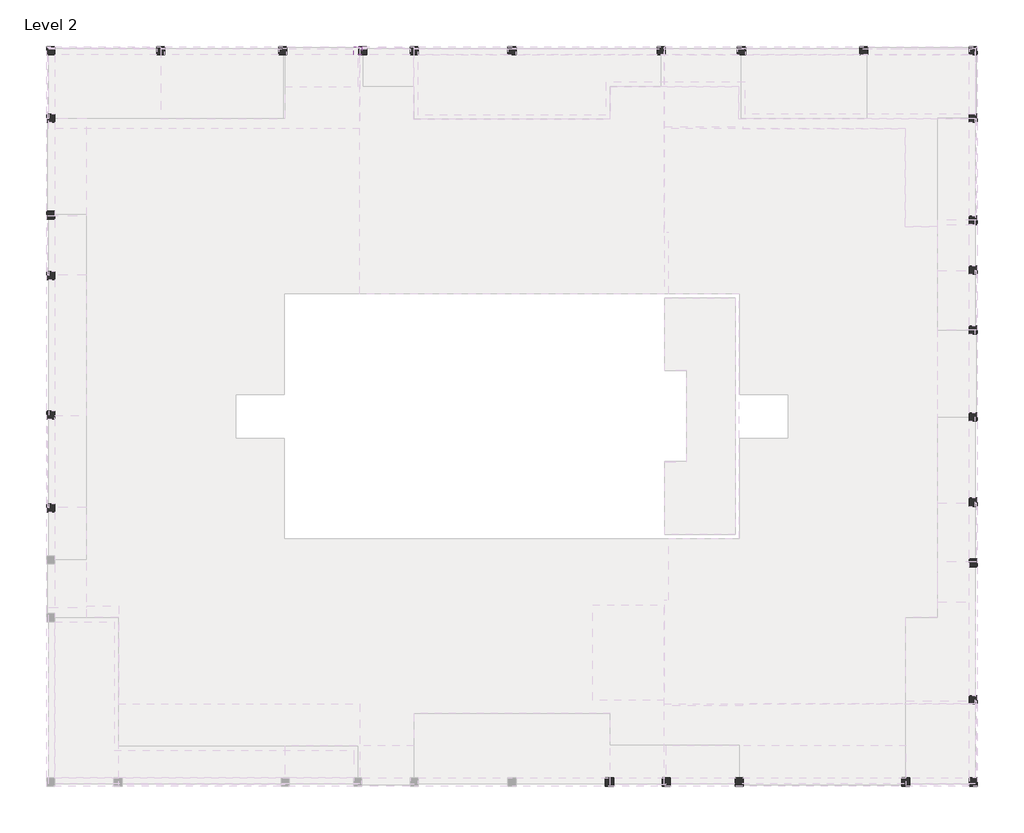
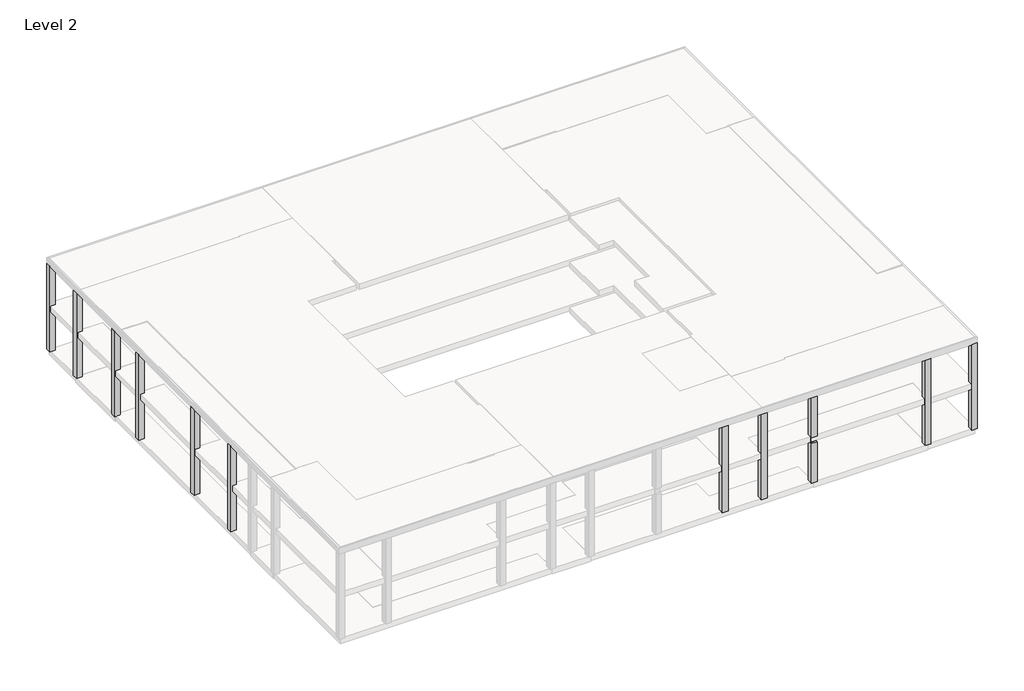
# One storey, part 3 of 3: 29 columns.
"""IFC4 building model written with IfcOpenShell, lengths in millimetres."""

from ifc_helpers import new_model, si_unit, frame, origin, place, context, project, spatial, polyline, outline, extrude, faceted_brep, element, save

model = new_model("IFC4")

# Units and contexts
model_context = context("Model", 3, world=origin())
ifc_project = project(units=[si_unit("LENGTHUNIT", "METRE", prefix="MILLI")], contexts=[model_context])

# Site, building, storey
site = spatial("IfcSite", under=ifc_project)
building = spatial("IfcBuilding", under=site)
storey = spatial("IfcBuildingStorey", under=building, Name="Level 2", Elevation=4000.0)

# Columns
placement = place(None, origin())
element("IfcColumn", 1, at=placement, inside=storey, context=model_context, shape_type="Brep", body=[
    faceted_brep([(46248.6038805, 37198.5104675, 8500.0), (45908.6038805, 37198.5104675, 8500.0), (45908.6038805, 37098.5104675, 8500.0), (45908.6038805, 36858.5104675, 8500.0), (46148.6038805, 36858.5104675, 8500.0), (46248.6038805, 36858.5104675, 8500.0), (46248.6038805, 37198.5104675, 2950.0), (46248.6038805, 36858.5104675, 2950.0), (45908.6038805, 36858.5104675, 2950.0), (45908.6038805, 37198.5104675, 2950.0), (45908.6038805, 37198.5104675, 5525.0), (45908.6038805, 37198.5104675, 5900.0), (45908.6038805, 37198.5104675, 8475.0), (45908.6038805, 36858.5104675, 5525.0), (45908.6038805, 36858.5104675, 5550.0), (45908.6038805, 36858.5104675, 8475.0), (46248.6038805, 36858.5104675, 5525.0), (46248.6038805, 36858.5104675, 5900.0), (46248.6038805, 36858.5104675, 8475.0)], [[[0, 1, 2, 3, 4, 5]], [[6, 7, 8, 9]], [[1, 0, 6, 9, 10, 11, 12]], [[3, 2, 1, 12, 11, 10, 9, 8, 13, 14, 15]], [[5, 4, 3, 15, 14, 13, 8, 7, 16, 17, 18]], [[0, 5, 18, 17, 16, 7, 6]]]),
])
element("IfcColumn", 2, at=placement, inside=storey, context=model_context, shape_type="Brep", body=[
    faceted_brep([(41648.6038866, 37198.5104675, 8475.0), (41308.6038866, 37198.5104675, 8475.0), (41308.6038866, 36858.5104675, 8475.0), (41648.6038866, 36858.5104675, 8475.0), (41648.6038866, 37198.5104675, 2950.0), (41648.6038866, 36858.5104675, 2950.0), (41308.6038866, 36858.5104675, 2950.0), (41308.6038866, 37198.5104675, 2950.0), (41648.6038866, 37198.5104675, 5900.0), (41648.6038866, 37198.5104675, 5525.0), (41308.6038866, 37198.5104675, 5525.0), (41308.6038866, 37198.5104675, 5900.0), (41308.6038866, 36858.5104675, 5525.0), (41308.6038866, 36858.5104675, 5550.0), (41648.6038866, 36858.5104675, 5525.0), (41648.6038866, 36858.5104675, 5550.0)], [[[0, 1, 2, 3]], [[4, 5, 6, 7]], [[1, 0, 8, 9, 4, 7, 10, 11]], [[2, 1, 11, 10, 7, 6, 12, 13]], [[3, 2, 13, 12, 6, 5, 14, 15]], [[0, 3, 15, 14, 5, 4, 9, 8]]]),
])
element("IfcColumn", 3, at=placement, inside=storey, context=model_context, shape_type="Brep", body=[
    faceted_brep([(46248.6038805, 34358.5104486, 8500.0), (46148.6038805, 34358.5104486, 8500.0), (45908.6038805, 34358.5104486, 8500.0), (45908.6038805, 34018.5104486, 8500.0), (46148.6038805, 34018.5104486, 8500.0), (46248.6038805, 34018.5104486, 8500.0), (46248.6038805, 34358.5104486, 8475.0), (46248.6038805, 34358.5104486, 5900.0), (46148.6038805, 34358.5104486, 5900.0), (46148.6038805, 34358.5104486, 5550.0), (45908.6038805, 34358.5104486, 5550.0), (45908.6038805, 34358.5104486, 8475.0), (45908.6038805, 34178.5104486, 5550.0), (45908.6038805, 34018.5104486, 5550.0), (45908.6038805, 34018.5104486, 8475.0), (46148.6038805, 34018.5104486, 5550.0), (46148.6038805, 34018.5104486, 5900.0), (46248.6038805, 34018.5104486, 5900.0), (46248.6038805, 34018.5104486, 8475.0), (46248.6038805, 34178.5104486, 5900.0), (46148.6038805, 34178.5104486, 5900.0), (46148.6038805, 34178.5104486, 5550.0)], [[[0, 1, 2, 3, 4, 5]], [[2, 1, 0, 6, 7, 8, 9, 10, 11]], [[3, 2, 11, 10, 12, 13, 14]], [[5, 4, 3, 14, 13, 15, 16, 17, 18]], [[0, 5, 18, 17, 19, 7, 6]], [[20, 19, 17, 16]], [[21, 20, 16, 15]], [[19, 20, 8, 7]], [[20, 21, 9, 8]], [[21, 12, 10, 9]], [[12, 21, 15, 13]]]),
    faceted_brep([(46248.6038805, 34358.5104486, 2950.0), (46248.6038805, 34018.5104486, 2950.0), (46148.6038805, 34018.5104486, 2950.0), (45908.6038805, 34018.5104486, 2950.0), (45908.6038805, 34358.5104486, 2950.0), (46148.6038805, 34358.5104486, 2950.0), (46248.6038805, 34178.5104486, 5525.0), (45908.6038805, 34178.5104486, 5525.0), (45908.6038805, 34018.5104486, 5525.0), (46248.6038805, 34018.5104486, 5525.0), (46248.6038805, 34358.5104486, 5525.0), (45908.6038805, 34358.5104486, 5525.0)], [[[0, 1, 2, 3, 4, 5]], [[6, 7, 8, 9]], [[7, 6, 10, 11]], [[1, 0, 10, 6, 9]], [[5, 4, 11, 10, 0]], [[4, 3, 8, 7, 11]], [[2, 1, 9, 8, 3]]]),
])
element("IfcColumn", 4, at=placement, inside=storey, context=model_context, shape_type="Brep", body=[
    faceted_brep([(46248.6038805, 6198.5104665, 8500.0), (46248.6038805, 6538.5104665, 8500.0), (46148.6038805, 6538.5104665, 8500.0), (45908.6038805, 6538.5104665, 8500.0), (45908.6038805, 6298.5104675, 8500.0), (45908.6038805, 6198.5104665, 8500.0), (46248.6038805, 6198.5104665, 2950.0), (45908.6038805, 6198.5104665, 2950.0), (45908.6038805, 6538.5104665, 2950.0), (46248.6038805, 6538.5104665, 2950.0), (45908.6038805, 6538.5104665, 8475.0), (45908.6038805, 6538.5104665, 5900.0), (45908.6038805, 6538.5104665, 5550.0), (45908.6038805, 6538.5104665, 5525.0), (46248.6038805, 6538.5104665, 8475.0), (46248.6038805, 6538.5104665, 5900.0), (46248.6038805, 6538.5104665, 5525.0)], [[[0, 1, 2, 3, 4, 5]], [[6, 7, 8, 9]], [[5, 7, 6, 0]], [[3, 10, 11, 12, 13, 8, 7, 5, 4]], [[1, 14, 15, 16, 9, 8, 13, 12, 11, 10, 3, 2]], [[0, 6, 9, 16, 15, 14, 1]]]),
])
element("IfcColumn", 5, at=placement, inside=storey, context=model_context, shape_type="Brep", body=[
    faceted_brep([(43408.6038804, 6198.5104665, 8475.0), (43408.6038804, 6538.5104665, 8475.0), (43068.6038804, 6538.5104665, 8475.0), (43068.6038804, 6198.5104665, 8475.0), (43408.6038804, 6198.5104665, 2950.0), (43068.6038804, 6198.5104665, 2950.0), (43068.6038804, 6538.5104665, 2950.0), (43408.6038804, 6538.5104665, 2950.0), (43068.6038804, 6538.5104665, 5900.0), (43068.6038804, 6538.5104665, 5550.0)], [[[0, 1, 2, 3]], [[4, 5, 6, 7]], [[3, 5, 4, 0]], [[2, 8, 9, 6, 5, 3]], [[1, 7, 6, 9, 8, 2]], [[0, 4, 7, 1]]]),
])
element("IfcColumn", 6, at=placement, inside=storey, context=model_context, shape_type="Brep", body=[
    faceted_brep([(7248.6038805, 29968.5104659, 8475.0), (7588.6038805, 29968.5104659, 8475.0), (7588.6038805, 30308.5104659, 8475.0), (7248.6038805, 30308.5104659, 8475.0), (7248.6038805, 29968.5104659, 2950.0), (7248.6038805, 30163.5104659, 2950.0), (7248.6038805, 30308.5104659, 2950.0), (7588.6038805, 30308.5104659, 2950.0), (7588.6038805, 29968.5104659, 2950.0), (7248.6038805, 29968.5104659, 5900.0), (7248.6038805, 29968.5104659, 5525.0), (7588.6038805, 29968.5104659, 5525.0), (7588.6038805, 29968.5104659, 5550.0), (7588.6038805, 30308.5104659, 5525.0), (7588.6038805, 30308.5104659, 5550.0), (7248.6038805, 30308.5104659, 5525.0), (7248.6038805, 30308.5104659, 5900.0)], [[[0, 1, 2, 3]], [[4, 5, 6, 7, 8]], [[1, 0, 9, 10, 4, 8, 11, 12]], [[2, 1, 12, 11, 8, 7, 13, 14]], [[3, 2, 14, 13, 7, 6, 15, 16]], [[0, 3, 16, 15, 6, 5, 4, 10, 9]]]),
])
element("IfcColumn", 7, at=placement, inside=storey, context=model_context, shape_type="Brep", body=[
    faceted_brep([(7248.6038805, 34026.0104675, 8500.0), (7348.6038805, 34026.0104675, 8500.0), (7588.6038805, 34026.0104675, 8500.0), (7588.6038805, 34366.0104675, 8500.0), (7348.6038805, 34366.0104675, 8500.0), (7248.6038805, 34366.0104675, 8500.0), (7248.6038805, 34026.0104675, 2950.0), (7248.6038805, 34366.0104675, 2950.0), (7588.6038805, 34366.0104675, 2950.0), (7588.6038805, 34026.0104675, 2950.0), (7248.6038805, 34026.0104675, 8475.0), (7248.6038805, 34026.0104675, 5900.0), (7248.6038805, 34026.0104675, 5525.0), (7588.6038805, 34026.0104675, 5525.0), (7588.6038805, 34026.0104675, 5550.0), (7588.6038805, 34026.0104675, 8475.0), (7588.6038805, 34366.0104675, 5525.0), (7588.6038805, 34366.0104675, 5550.0), (7588.6038805, 34366.0104675, 8475.0), (7248.6038805, 34366.0104675, 5525.0), (7248.6038805, 34366.0104675, 5900.0), (7248.6038805, 34366.0104675, 8475.0)], [[[0, 1, 2, 3, 4, 5]], [[6, 7, 8, 9]], [[2, 1, 0, 10, 11, 12, 6, 9, 13, 14, 15]], [[3, 2, 15, 14, 13, 9, 8, 16, 17, 18]], [[5, 4, 3, 18, 17, 16, 8, 7, 19, 20, 21]], [[0, 5, 21, 20, 19, 7, 6, 12, 11, 10]]]),
])
element("IfcColumn", 8, at=placement, inside=storey, context=model_context, shape_type="Brep", body=[
    faceted_brep([(7248.6038805, 36858.5104675, 8500.0), (7348.6038805, 36858.5104675, 8500.0), (7588.6038805, 36858.5104675, 8500.0), (7588.6038805, 37098.5104675, 8500.0), (7588.6038805, 37198.5104675, 8500.0), (7248.6038805, 37198.5104675, 8500.0), (7248.6038805, 36858.5104675, 2950.0), (7248.6038805, 37198.5104675, 2950.0), (7588.6038805, 37198.5104675, 2950.0), (7588.6038805, 36858.5104675, 2950.0), (7248.6038805, 36858.5104675, 8475.0), (7248.6038805, 36858.5104675, 5900.0), (7248.6038805, 36858.5104675, 5525.0), (7588.6038805, 36858.5104675, 5525.0), (7588.6038805, 36858.5104675, 5550.0), (7588.6038805, 36858.5104675, 8475.0), (7588.6038805, 37198.5104675, 5525.0), (7588.6038805, 37198.5104675, 5900.0), (7588.6038805, 37198.5104675, 8475.0)], [[[0, 1, 2, 3, 4, 5]], [[6, 7, 8, 9]], [[2, 1, 0, 10, 11, 12, 6, 9, 13, 14, 15]], [[4, 3, 2, 15, 14, 13, 9, 8, 16, 17, 18]], [[5, 4, 18, 17, 16, 8, 7]], [[0, 5, 7, 6, 12, 11, 10]]]),
])
element("IfcColumn", 9, at=placement, inside=storey, context=model_context, shape_type="Brep", body=[
    faceted_brep([(11868.6038682, 37198.5104675, 8500.0), (11868.6038682, 37098.5104675, 8500.0), (11868.6038682, 36858.5104675, 8500.0), (12208.6038682, 36858.5104675, 8500.0), (12208.6038682, 37098.5104675, 8500.0), (12208.6038682, 37198.5104675, 8500.0), (12208.6038682, 37198.5104675, 8475.0), (12208.6038682, 37198.5104675, 5900.0), (11868.6038682, 37198.5104675, 5900.0), (11868.6038682, 37198.5104675, 8475.0), (12208.6038682, 36858.5104675, 8475.0), (12208.6038682, 36858.5104675, 5550.0), (12208.6038682, 37098.5104675, 5550.0), (12208.6038682, 37098.5104675, 5900.0), (11868.6038682, 36858.5104675, 8475.0), (11868.6038682, 36858.5104675, 5550.0), (11868.6038682, 37098.5104675, 5900.0), (11868.6038682, 37098.5104675, 5550.0)], [[[0, 1, 2, 3, 4, 5]], [[0, 5, 6, 7, 8, 9]], [[5, 4, 3, 10, 11, 12, 13, 7, 6]], [[3, 2, 14, 15, 11, 10]], [[2, 1, 0, 9, 8, 16, 17, 15, 14]], [[13, 16, 8, 7]], [[16, 13, 12, 17]], [[17, 12, 11, 15]]]),
    faceted_brep([(11868.6038682, 37198.5104675, 2950.0), (12208.6038682, 37198.5104675, 2950.0), (12208.6038682, 37098.5104675, 2950.0), (12208.6038682, 36858.5104675, 2950.0), (11868.6038682, 36858.5104675, 2950.0), (11868.6038682, 37098.5104675, 2950.0), (12208.6038682, 37198.5104675, 5525.0), (11868.6038682, 37198.5104675, 5525.0), (11868.6038682, 36858.5104675, 5525.0), (12208.6038682, 36858.5104675, 5525.0)], [[[0, 1, 2, 3, 4, 5]], [[6, 7, 8, 9]], [[1, 0, 7, 6]], [[2, 1, 6, 9, 3]], [[4, 3, 9, 8]], [[5, 4, 8, 7, 0]]]),
])
element("IfcColumn", 10, at=placement, inside=storey, context=model_context, shape_type="Brep", body=[
    faceted_brep([(20123.6038682, 37198.5104675, 8475.0), (20123.6038682, 36858.5104675, 8475.0), (20463.6038682, 36858.5104675, 8475.0), (20463.6038682, 37198.5104675, 8475.0), (20123.6038682, 37198.5104675, 5900.0), (20303.6038682, 37198.5104675, 5900.0), (20463.6038682, 37198.5104675, 5900.0), (20463.6038682, 36858.5104675, 5900.0), (20123.6038682, 36858.5104675, 5900.0)], [[[0, 1, 2, 3]], [[4, 5, 6, 7, 8]], [[3, 6, 5, 4, 0]], [[2, 7, 6, 3]], [[1, 8, 7, 2]], [[0, 4, 8, 1]]]),
])
element("IfcColumn", 11, at=placement, inside=storey, context=model_context, shape_type="Brep", body=[
    faceted_brep([(22478.6038804, 37198.5104675, 8500.0), (22478.6038804, 37098.5104675, 8500.0), (22478.6038804, 36858.5104675, 8500.0), (22818.6038804, 36858.5104675, 8500.0), (22818.6038804, 37098.5104675, 8500.0), (22818.6038804, 37198.5104675, 8500.0), (22478.6038804, 37198.5104675, 2950.0), (22818.6038804, 37198.5104675, 2950.0), (22818.6038804, 36858.5104675, 2950.0), (22478.6038804, 36858.5104675, 2950.0), (22818.6038804, 37198.5104675, 8475.0), (22818.6038804, 37198.5104675, 5900.0), (22818.6038804, 37198.5104675, 5525.0), (22478.6038804, 37198.5104675, 5525.0), (22478.6038804, 37198.5104675, 5900.0), (22478.6038804, 37198.5104675, 8475.0), (22818.6038804, 36858.5104675, 8475.0), (22818.6038804, 36858.5104675, 5550.0), (22818.6038804, 36858.5104675, 5525.0), (22478.6038804, 36858.5104675, 8475.0), (22478.6038804, 36858.5104675, 5550.0), (22478.6038804, 36858.5104675, 5525.0)], [[[0, 1, 2, 3, 4, 5]], [[6, 7, 8, 9]], [[5, 10, 11, 12, 7, 6, 13, 14, 15, 0]], [[3, 16, 17, 18, 8, 7, 12, 11, 10, 5, 4]], [[2, 19, 20, 21, 9, 8, 18, 17, 16, 3]], [[0, 15, 14, 13, 6, 9, 21, 20, 19, 2, 1]]]),
])
element("IfcColumn", 12, at=placement, inside=storey, context=model_context, shape_type="Brep", body=[
    faceted_brep([(46248.6038805, 30083.5104659, 8500.0), (46148.6038805, 30083.5104659, 8500.0), (45908.6038805, 30083.5104659, 8500.0), (45908.6038805, 29743.5104659, 8500.0), (46148.6038805, 29743.5104659, 8500.0), (46248.6038805, 29743.5104659, 8500.0), (46248.6038805, 30083.5104659, 2950.0), (46248.6038805, 29743.5104659, 2950.0), (45908.6038805, 29743.5104659, 2950.0), (45908.6038805, 30083.5104659, 2950.0), (46248.6038805, 30083.5104659, 8475.0), (46248.6038805, 30083.5104659, 5900.0), (46248.6038805, 30083.5104659, 5525.0), (45908.6038805, 30083.5104659, 5525.0), (45908.6038805, 30083.5104659, 5550.0), (45908.6038805, 30083.5104659, 8475.0), (45908.6038805, 29743.5104659, 5525.0), (45908.6038805, 29743.5104659, 5550.0), (45908.6038805, 29743.5104659, 8475.0), (46248.6038805, 29743.5104659, 5525.0), (46248.6038805, 29743.5104659, 5900.0), (46248.6038805, 29743.5104659, 8475.0)], [[[0, 1, 2, 3, 4, 5]], [[6, 7, 8, 9]], [[2, 1, 0, 10, 11, 12, 6, 9, 13, 14, 15]], [[3, 2, 15, 14, 13, 9, 8, 16, 17, 18]], [[5, 4, 3, 18, 17, 16, 8, 7, 19, 20, 21]], [[0, 5, 21, 20, 19, 7, 6, 12, 11, 10]]]),
])
element("IfcColumn", 13, at=placement, inside=storey, context=model_context, shape_type="Brep", body=[
    faceted_brep([(46248.6038805, 27993.5104659, 8500.0), (46148.6038805, 27993.5104659, 8500.0), (45908.6038805, 27993.5104659, 8500.0), (45908.6038805, 27653.5104659, 8500.0), (46148.6038805, 27653.5104659, 8500.0), (46248.6038805, 27653.5104659, 8500.0), (46248.6038805, 27993.5104659, 2950.0), (46248.6038805, 27653.5104659, 2950.0), (45908.6038805, 27653.5104659, 2950.0), (45908.6038805, 27993.5104659, 2950.0), (46248.6038805, 27993.5104659, 8475.0), (46248.6038805, 27993.5104659, 5900.0), (46248.6038805, 27993.5104659, 5525.0), (45908.6038805, 27993.5104659, 5525.0), (45908.6038805, 27993.5104659, 5550.0), (45908.6038805, 27993.5104659, 8475.0), (45908.6038805, 27653.5104659, 5525.0), (45908.6038805, 27653.5104659, 5550.0), (45908.6038805, 27653.5104659, 8475.0), (46248.6038805, 27653.5104659, 5525.0), (46248.6038805, 27653.5104659, 5900.0), (46248.6038805, 27653.5104659, 8475.0)], [[[0, 1, 2, 3, 4, 5]], [[6, 7, 8, 9]], [[2, 1, 0, 10, 11, 12, 6, 9, 13, 14, 15]], [[3, 2, 15, 14, 13, 9, 8, 16, 17, 18]], [[5, 4, 3, 18, 17, 16, 8, 7, 19, 20, 21]], [[0, 5, 21, 20, 19, 7, 6, 12, 11, 10]]]),
])
element("IfcColumn", 14, at=placement, inside=storey, context=model_context, shape_type="Brep", body=[
    faceted_brep([(46248.6038805, 25483.5104659, 8500.0), (46148.6038805, 25483.5104659, 8500.0), (45908.6038805, 25483.5104659, 8500.0), (45908.6038805, 25143.5104659, 8500.0), (46148.6038805, 25143.5104659, 8500.0), (46248.6038805, 25143.5104659, 8500.0), (46248.6038805, 25483.5104659, 2950.0), (46248.6038805, 25288.5104659, 2950.0), (46248.6038805, 25143.5104659, 2950.0), (45908.6038805, 25143.5104659, 2950.0), (45908.6038805, 25483.5104659, 2950.0), (46248.6038805, 25483.5104659, 8475.0), (46248.6038805, 25483.5104659, 5900.0), (46248.6038805, 25483.5104659, 5525.0), (45908.6038805, 25483.5104659, 5525.0), (45908.6038805, 25483.5104659, 5550.0), (45908.6038805, 25483.5104659, 8475.0), (45908.6038805, 25143.5104659, 5525.0), (45908.6038805, 25143.5104659, 5550.0), (45908.6038805, 25143.5104659, 8475.0), (46248.6038805, 25143.5104659, 5525.0), (46248.6038805, 25143.5104659, 5900.0), (46248.6038805, 25143.5104659, 8475.0)], [[[0, 1, 2, 3, 4, 5]], [[6, 7, 8, 9, 10]], [[2, 1, 0, 11, 12, 13, 6, 10, 14, 15, 16]], [[3, 2, 16, 15, 14, 10, 9, 17, 18, 19]], [[5, 4, 3, 19, 18, 17, 9, 8, 20, 21, 22]], [[0, 5, 22, 21, 20, 8, 7, 6, 13, 12, 11]]]),
])
element("IfcColumn", 15, at=placement, inside=storey, context=model_context, shape_type="Brep", body=[
    faceted_brep([(46248.6038805, 15388.5104691, 8475.0), (46248.6038805, 15728.5104691, 8475.0), (45908.6038805, 15728.5104691, 8475.0), (45908.6038805, 15388.5104691, 8475.0), (46248.6038805, 15388.5104691, 2950.0), (45908.6038805, 15388.5104691, 2950.0), (45908.6038805, 15728.5104691, 2950.0), (46248.6038805, 15728.5104691, 2950.0), (45908.6038805, 15388.5104691, 5550.0), (45908.6038805, 15388.5104691, 5525.0), (46248.6038805, 15388.5104691, 5525.0), (46248.6038805, 15388.5104691, 5900.0), (45908.6038805, 15728.5104691, 5550.0), (45908.6038805, 15728.5104691, 5525.0), (46248.6038805, 15728.5104691, 5900.0), (46248.6038805, 15728.5104691, 5525.0)], [[[0, 1, 2, 3]], [[4, 5, 6, 7]], [[3, 8, 9, 5, 4, 10, 11, 0]], [[2, 12, 13, 6, 5, 9, 8, 3]], [[1, 14, 15, 7, 6, 13, 12, 2]], [[0, 11, 10, 4, 7, 15, 14, 1]]]),
])
element("IfcColumn", 16, at=placement, inside=storey, context=model_context, shape_type="Brep", body=[
    faceted_brep([(46248.6038805, 17928.5104691, 8500.0), (46248.6038805, 18268.5104691, 8500.0), (46148.6038805, 18268.5104691, 8500.0), (45908.6038805, 18268.5104691, 8500.0), (45908.6038805, 17928.5104691, 8500.0), (46148.6038805, 17928.5104691, 8500.0), (46248.6038805, 17928.5104691, 2950.0), (45908.6038805, 17928.5104691, 2950.0), (45908.6038805, 18268.5104691, 2950.0), (46248.6038805, 18268.5104691, 2950.0), (45908.6038805, 17928.5104691, 8475.0), (45908.6038805, 17928.5104691, 5550.0), (45908.6038805, 17928.5104691, 5525.0), (46248.6038805, 17928.5104691, 5525.0), (46248.6038805, 17928.5104691, 5900.0), (46248.6038805, 17928.5104691, 8475.0), (45908.6038805, 18268.5104691, 8475.0), (45908.6038805, 18268.5104691, 5550.0), (45908.6038805, 18268.5104691, 5525.0), (46248.6038805, 18268.5104691, 8475.0), (46248.6038805, 18268.5104691, 5900.0), (46248.6038805, 18268.5104691, 5525.0)], [[[0, 1, 2, 3, 4, 5]], [[6, 7, 8, 9]], [[4, 10, 11, 12, 7, 6, 13, 14, 15, 0, 5]], [[3, 16, 17, 18, 8, 7, 12, 11, 10, 4]], [[1, 19, 20, 21, 9, 8, 18, 17, 16, 3, 2]], [[0, 15, 14, 13, 6, 9, 21, 20, 19, 1]]]),
])
element("IfcColumn", 17, at=placement, inside=storey, context=model_context, shape_type="Brep", body=[
    faceted_brep([(46248.6038805, 9638.5104665, 8500.0), (46248.6038805, 9978.5104665, 8500.0), (46148.6038805, 9978.5104665, 8500.0), (45908.6038805, 9978.5104665, 8500.0), (45908.6038805, 9638.5104665, 8500.0), (46148.6038805, 9638.5104665, 8500.0), (46248.6038805, 9638.5104665, 2950.0), (45908.6038805, 9638.5104665, 2950.0), (45908.6038805, 9978.5104665, 2950.0), (46248.6038805, 9978.5104665, 2950.0), (45908.6038805, 9638.5104665, 8475.0), (45908.6038805, 9638.5104665, 5550.0), (45908.6038805, 9638.5104665, 5525.0), (46248.6038805, 9638.5104665, 5525.0), (46248.6038805, 9638.5104665, 5900.0), (46248.6038805, 9638.5104665, 8475.0), (45908.6038805, 9978.5104665, 8475.0), (45908.6038805, 9978.5104665, 5550.0), (45908.6038805, 9978.5104665, 5525.0), (46248.6038805, 9978.5104665, 8475.0), (46248.6038805, 9978.5104665, 5900.0), (46248.6038805, 9978.5104665, 5525.0)], [[[0, 1, 2, 3, 4, 5]], [[6, 7, 8, 9]], [[4, 10, 11, 12, 7, 6, 13, 14, 15, 0, 5]], [[3, 16, 17, 18, 8, 7, 12, 11, 10, 4]], [[1, 19, 20, 21, 9, 8, 18, 17, 16, 3, 2]], [[0, 15, 14, 13, 6, 9, 21, 20, 19, 1]]]),
])
element("IfcColumn", 18, at=placement, inside=storey, context=model_context, shape_type="SweptSolid", body=[
    extrude(outline(polyline([(33388.6038927, 6538.5104665), (33388.6038927, 6198.5104665), (33048.6038927, 6198.5104665), (33048.6038927, 6538.5104665), (33388.6038927, 6538.5104665)])), frame((0.0, 0.0, 2950.0), z_axis=(0.0, 0.0, 1.0), x_axis=(1.0, 0.0, 0.0)), (0.0, 0.0, 1.0), 5525.0),
])
element("IfcColumn", 19, at=placement, inside=storey, context=model_context, shape_type="Brep", body=[
    faceted_brep([(7248.6038805, 17688.5104681, 8500.0), (7348.6038805, 17688.5104681, 8500.0), (7588.6038805, 17688.5104681, 8500.0), (7588.6038805, 18028.5104681, 8500.0), (7348.6038805, 18028.5104681, 8500.0), (7248.6038805, 18028.5104681, 8500.0), (7248.6038805, 17688.5104681, 2950.0), (7248.6038805, 18028.5104681, 2950.0), (7588.6038805, 18028.5104681, 2950.0), (7588.6038805, 17688.5104681, 2950.0), (7248.6038805, 17688.5104681, 8475.0), (7248.6038805, 17688.5104681, 5900.0), (7248.6038805, 17688.5104681, 5525.0), (7588.6038805, 17688.5104681, 5525.0), (7588.6038805, 17688.5104681, 5550.0), (7588.6038805, 17688.5104681, 8475.0), (7588.6038805, 18028.5104681, 5525.0), (7588.6038805, 18028.5104681, 5550.0), (7588.6038805, 18028.5104681, 8475.0), (7248.6038805, 18028.5104681, 5525.0), (7248.6038805, 18028.5104681, 5900.0), (7248.6038805, 18028.5104681, 8475.0)], [[[0, 1, 2, 3, 4, 5]], [[6, 7, 8, 9]], [[2, 1, 0, 10, 11, 12, 6, 9, 13, 14, 15]], [[3, 2, 15, 14, 13, 9, 8, 16, 17, 18]], [[5, 4, 3, 18, 17, 16, 8, 7, 19, 20, 21]], [[0, 5, 21, 20, 19, 7, 6, 12, 11, 10]]]),
])
element("IfcColumn", 20, at=placement, inside=storey, context=model_context, shape_type="Brep", body=[
    faceted_brep([(7248.6038805, 27768.5104659, 8500.0), (7248.6038805, 27428.5104659, 8500.0), (7348.6038805, 27428.5104659, 8500.0), (7588.6038805, 27428.5104659, 8500.0), (7588.6038805, 27768.5104659, 8500.0), (7348.6038805, 27768.5104659, 8500.0), (7248.6038805, 27768.5104659, 2950.0), (7588.6038805, 27768.5104659, 2950.0), (7588.6038805, 27428.5104659, 2950.0), (7248.6038805, 27428.5104659, 2950.0), (7588.6038805, 27768.5104659, 8475.0), (7588.6038805, 27768.5104659, 5550.0), (7588.6038805, 27768.5104659, 5525.0), (7248.6038805, 27768.5104659, 5525.0), (7248.6038805, 27768.5104659, 5900.0), (7248.6038805, 27768.5104659, 8475.0), (7588.6038805, 27428.5104659, 8475.0), (7588.6038805, 27428.5104659, 5550.0), (7588.6038805, 27428.5104659, 5525.0), (7248.6038805, 27428.5104659, 8475.0), (7248.6038805, 27428.5104659, 5900.0), (7248.6038805, 27428.5104659, 5525.0)], [[[0, 1, 2, 3, 4, 5]], [[6, 7, 8, 9]], [[4, 10, 11, 12, 7, 6, 13, 14, 15, 0, 5]], [[3, 16, 17, 18, 8, 7, 12, 11, 10, 4]], [[1, 19, 20, 21, 9, 8, 18, 17, 16, 3, 2]], [[0, 15, 14, 13, 6, 9, 21, 20, 19, 1]]]),
])
element("IfcColumn", 21, at=placement, inside=storey, context=model_context, shape_type="Brep", body=[
    faceted_brep([(7248.6038805, 21921.010467, 8500.0), (7248.6038805, 21581.010467, 8500.0), (7348.6038805, 21581.010467, 8500.0), (7588.6038805, 21581.010467, 8500.0), (7588.6038805, 21921.010467, 8500.0), (7348.6038805, 21921.010467, 8500.0), (7248.6038805, 21921.010467, 2950.0), (7588.6038805, 21921.010467, 2950.0), (7588.6038805, 21581.010467, 2950.0), (7248.6038805, 21581.010467, 2950.0), (7588.6038805, 21921.010467, 8475.0), (7588.6038805, 21921.010467, 5550.0), (7588.6038805, 21921.010467, 5525.0), (7248.6038805, 21921.010467, 5525.0), (7248.6038805, 21921.010467, 5900.0), (7248.6038805, 21921.010467, 8475.0), (7588.6038805, 21581.010467, 8475.0), (7588.6038805, 21581.010467, 5900.0), (7588.6038805, 21581.010467, 5550.0), (7588.6038805, 21581.010467, 5525.0), (7248.6038805, 21581.010467, 8475.0), (7248.6038805, 21581.010467, 5900.0), (7248.6038805, 21581.010467, 5525.0)], [[[0, 1, 2, 3, 4, 5]], [[6, 7, 8, 9]], [[4, 10, 11, 12, 7, 6, 13, 14, 15, 0, 5]], [[3, 16, 17, 18, 19, 8, 7, 12, 11, 10, 4]], [[1, 20, 21, 22, 9, 8, 19, 18, 17, 16, 3, 2]], [[0, 15, 14, 13, 6, 9, 22, 21, 20, 1]]]),
])
element("IfcColumn", 22, at=placement, inside=storey, context=model_context, shape_type="Brep", body=[
    faceted_brep([(16968.6038682, 36858.5104675, 8500.0), (17308.6038682, 36858.5104675, 8500.0), (17308.6038682, 37098.5104675, 8500.0), (17308.6038682, 37198.5104675, 8500.0), (16968.6038682, 37198.5104675, 8500.0), (16968.6038682, 37098.5104675, 8500.0), (16968.6038682, 36858.5104675, 2950.0), (16968.6038682, 37198.5104675, 2950.0), (17308.6038682, 37198.5104675, 2950.0), (17308.6038682, 36858.5104675, 2950.0), (16968.6038682, 36858.5104675, 8475.0), (16968.6038682, 36858.5104675, 5550.0), (16968.6038682, 36858.5104675, 5525.0), (17308.6038682, 36858.5104675, 5525.0), (17308.6038682, 36858.5104675, 5550.0), (17308.6038682, 36858.5104675, 8475.0), (17308.6038682, 37198.5104675, 5525.0), (17308.6038682, 37198.5104675, 5900.0), (17308.6038682, 37198.5104675, 8475.0), (16968.6038682, 37198.5104675, 5525.0), (16968.6038682, 37198.5104675, 5900.0), (16968.6038682, 37198.5104675, 8475.0)], [[[0, 1, 2, 3, 4, 5]], [[6, 7, 8, 9]], [[1, 0, 10, 11, 12, 6, 9, 13, 14, 15]], [[3, 2, 1, 15, 14, 13, 9, 8, 16, 17, 18]], [[4, 3, 18, 17, 16, 8, 7, 19, 20, 21]], [[0, 5, 4, 21, 20, 19, 7, 6, 12, 11, 10]]]),
])
element("IfcColumn", 23, at=placement, inside=storey, context=model_context, shape_type="Brep", body=[
    faceted_brep([(20333.6038682, 36858.5104675, 5550.0), (20673.6038682, 36858.5104675, 5550.0), (20673.6038682, 37098.5104675, 5550.0), (20673.6038682, 37198.5104675, 5550.0), (20333.6038682, 37198.5104675, 5550.0), (20333.6038682, 37098.5104675, 5550.0), (20333.6038682, 36858.5104675, 2950.0), (20333.6038682, 37198.5104675, 2950.0), (20673.6038682, 37198.5104675, 2950.0), (20673.6038682, 36858.5104675, 2950.0), (20333.6038682, 36858.5104675, 5525.0), (20673.6038682, 36858.5104675, 5525.0), (20673.6038682, 37198.5104675, 5525.0), (20333.6038682, 37198.5104675, 5525.0)], [[[0, 1, 2, 3, 4, 5]], [[6, 7, 8, 9]], [[1, 0, 10, 6, 9, 11]], [[3, 2, 1, 11, 9, 8, 12]], [[4, 3, 12, 8, 7, 13]], [[0, 5, 4, 13, 7, 6, 10]]]),
])
element("IfcColumn", 24, at=placement, inside=storey, context=model_context, shape_type="Brep", body=[
    faceted_brep([(36193.6038805, 36858.5104675, 8500.0), (36533.6038805, 36858.5104675, 8500.0), (36533.6038805, 37098.5104675, 8500.0), (36533.6038805, 37198.5104675, 8500.0), (36193.6038805, 37198.5104675, 8500.0), (36193.6038805, 37098.5104675, 8500.0), (36193.6038805, 36858.5104675, 8475.0), (36193.6038805, 36858.5104675, 5550.0), (36533.6038805, 36858.5104675, 5550.0), (36533.6038805, 36858.5104675, 8475.0), (36193.6038805, 37198.5104675, 8475.0), (36193.6038805, 37198.5104675, 5900.0), (36193.6038805, 37098.5104675, 5900.0), (36193.6038805, 37098.5104675, 5550.0), (36533.6038805, 37198.5104675, 8475.0), (36533.6038805, 37198.5104675, 5900.0), (36533.6038805, 37098.5104675, 5550.0), (36533.6038805, 37098.5104675, 5900.0)], [[[0, 1, 2, 3, 4, 5]], [[1, 0, 6, 7, 8, 9]], [[0, 5, 4, 10, 11, 12, 13, 7, 6]], [[4, 3, 14, 15, 11, 10]], [[3, 2, 1, 9, 8, 16, 17, 15, 14]], [[17, 12, 11, 15]], [[12, 17, 16, 13]], [[13, 16, 8, 7]]]),
    faceted_brep([(36193.6038805, 36858.5104675, 2950.0), (36193.6038805, 37198.5104675, 2950.0), (36333.6038805, 37198.5104675, 2950.0), (36533.6038805, 37198.5104675, 2950.0), (36533.6038805, 37098.5114313, 2950.0), (36533.6038805, 36858.5104675, 2950.0), (36193.6038805, 36858.5104675, 5525.0), (36533.6038805, 36858.5104675, 5525.0), (36533.6038805, 37198.5104675, 5525.0), (36193.6038805, 37198.5104675, 5525.0)], [[[0, 1, 2, 3, 4, 5]], [[6, 7, 8, 9]], [[2, 1, 9, 8, 3]], [[0, 5, 7, 6]], [[1, 0, 6, 9]], [[4, 3, 8, 7, 5]]]),
])
element("IfcColumn", 25, at=placement, inside=storey, context=model_context, shape_type="Brep", body=[
    faceted_brep([(33163.6038927, 36858.5104675, 8475.0), (33163.6038927, 37198.5104675, 8475.0), (33133.6038927, 37198.5104675, 8475.0), (32823.6038927, 37198.5104675, 8475.0), (32823.6038927, 36858.5104675, 8475.0), (33133.6038927, 36858.5104675, 8475.0), (33163.6038927, 36858.5104675, 2950.0), (32823.6038927, 36858.5104675, 2950.0), (32823.6038927, 37198.5104675, 2950.0), (33003.6038927, 37198.5104675, 2950.0), (33163.6038927, 37198.5104675, 2950.0), (32823.6038927, 36858.5104675, 5550.0), (32823.6038927, 36858.5104675, 5525.0), (33163.6038927, 36858.5104675, 5525.0), (33163.6038927, 36858.5104675, 5550.0), (32823.6038927, 37198.5104675, 5900.0), (32823.6038927, 37198.5104675, 5525.0), (33163.6038927, 37198.5104675, 5900.0), (33163.6038927, 37198.5104675, 5525.0)], [[[0, 1, 2, 3, 4, 5]], [[6, 7, 8, 9, 10]], [[4, 11, 12, 7, 6, 13, 14, 0, 5]], [[3, 15, 16, 8, 7, 12, 11, 4]], [[1, 17, 18, 10, 9, 8, 16, 15, 3, 2]], [[0, 14, 13, 6, 10, 18, 17, 1]]]),
])
element("IfcColumn", 26, at=placement, inside=storey, context=model_context, shape_type="Brep", body=[
    faceted_brep([(46248.6038805, 21831.010467, 8500.0), (46148.6038805, 21831.010467, 8500.0), (45908.6038805, 21831.010467, 8500.0), (45908.6038805, 21491.010467, 8500.0), (46148.6038805, 21491.010467, 8500.0), (46248.6038805, 21491.010467, 8500.0), (46248.6038805, 21831.010467, 2950.0), (46248.6038805, 21491.010467, 2950.0), (45908.6038805, 21491.010467, 2950.0), (45908.6038805, 21831.010467, 2950.0), (46248.6038805, 21831.010467, 8475.0), (46248.6038805, 21831.010467, 5900.0), (46248.6038805, 21831.010467, 5525.0), (45908.6038805, 21831.010467, 5525.0), (45908.6038805, 21831.010467, 5550.0), (45908.6038805, 21831.010467, 8475.0), (45908.6038805, 21491.010467, 5525.0), (45908.6038805, 21491.010467, 5550.0), (45908.6038805, 21491.010467, 8475.0), (46248.6038805, 21491.010467, 5525.0), (46248.6038805, 21491.010467, 5900.0), (46248.6038805, 21491.010467, 8475.0)], [[[0, 1, 2, 3, 4, 5]], [[6, 7, 8, 9]], [[2, 1, 0, 10, 11, 12, 6, 9, 13, 14, 15]], [[3, 2, 15, 14, 13, 9, 8, 16, 17, 18]], [[5, 4, 3, 18, 17, 16, 8, 7, 19, 20, 21]], [[0, 5, 21, 20, 19, 7, 6, 12, 11, 10]]]),
])
element("IfcColumn", 27, at=placement, inside=storey, context=model_context, shape_type="Brep", body=[
    faceted_brep([(36443.6038682, 6198.5104665, 8475.0), (36443.6038682, 6538.5104665, 8475.0), (36103.6038682, 6538.5104665, 8475.0), (36103.6038682, 6198.5104665, 8475.0), (36103.6038682, 6198.5104665, 5900.0), (36443.6038682, 6198.5104665, 5900.0), (36103.6038682, 6538.5104665, 5550.0), (36103.6038682, 6298.5104675, 5550.0), (36103.6038682, 6298.5104675, 5900.0), (36443.6038682, 6538.5104665, 5550.0), (36443.6038682, 6298.5104675, 5900.0), (36443.6038682, 6298.5104675, 5550.0)], [[[0, 1, 2, 3]], [[0, 3, 4, 5]], [[3, 2, 6, 7, 8, 4]], [[2, 1, 9, 6]], [[1, 0, 5, 10, 11, 9]], [[8, 10, 5, 4]], [[10, 8, 7, 11]], [[11, 7, 6, 9]]]),
    faceted_brep([(36443.6038682, 6198.5104665, 2950.0), (36103.6038682, 6198.5104665, 2950.0), (36103.6038682, 6298.5104675, 2950.0), (36103.6038682, 6538.5104665, 2950.0), (36443.6038682, 6538.5104665, 2950.0), (36443.6038682, 6298.5104675, 2950.0), (36103.6038682, 6198.5104665, 5525.0), (36443.6038682, 6198.5104665, 5525.0), (36443.6038682, 6538.5104665, 5525.0), (36103.6038682, 6538.5104665, 5525.0)], [[[0, 1, 2, 3, 4, 5]], [[6, 7, 8, 9]], [[1, 0, 7, 6]], [[2, 1, 6, 9, 3]], [[4, 3, 9, 8]], [[5, 4, 8, 7, 0]]]),
])
element("IfcColumn", 28, at=placement, inside=storey, context=model_context, shape_type="SweptSolid", body=[
    extrude(outline(polyline([(31003.6038805, 6198.5104665), (30663.6038805, 6198.5104665), (30663.6038805, 6538.5104665), (31003.6038805, 6538.5104665), (31003.6038805, 6198.5104665)])), frame((0.0, 0.0, 2950.0), z_axis=(0.0, 0.0, 1.0), x_axis=(1.0, 0.0, 0.0)), (0.0, 0.0, 1.0), 5525.0),
])
element("IfcColumn", 29, at=placement, inside=storey, context=model_context, shape_type="Brep", body=[
    faceted_brep([(26918.6038805, 36858.5104675, 8500.0), (26918.6038805, 37098.5104675, 8500.0), (26918.6038805, 37198.5104675, 8500.0), (26578.6038805, 37198.5104675, 8500.0), (26578.6038805, 37098.5104675, 8500.0), (26578.6038805, 36858.5104675, 8500.0), (26918.6038805, 36858.5104675, 2950.0), (26578.6038805, 36858.5104675, 2950.0), (26578.6038805, 37198.5104675, 2950.0), (26918.6038805, 37198.5104675, 2950.0), (26578.6038805, 36858.5104675, 8475.0), (26578.6038805, 36858.5104675, 5550.0), (26578.6038805, 36858.5104675, 5525.0), (26918.6038805, 36858.5104675, 5525.0), (26918.6038805, 36858.5104675, 5550.0), (26918.6038805, 36858.5104675, 8475.0), (26578.6038805, 37198.5104675, 8475.0), (26578.6038805, 37198.5104675, 5900.0), (26578.6038805, 37198.5104675, 5525.0), (26918.6038805, 37198.5104675, 8475.0), (26918.6038805, 37198.5104675, 5900.0), (26918.6038805, 37198.5104675, 5525.0)], [[[0, 1, 2, 3, 4, 5]], [[6, 7, 8, 9]], [[5, 10, 11, 12, 7, 6, 13, 14, 15, 0]], [[3, 16, 17, 18, 8, 7, 12, 11, 10, 5, 4]], [[2, 19, 20, 21, 9, 8, 18, 17, 16, 3]], [[0, 15, 14, 13, 6, 9, 21, 20, 19, 2, 1]]]),
])

save(model, "model.ifc")
